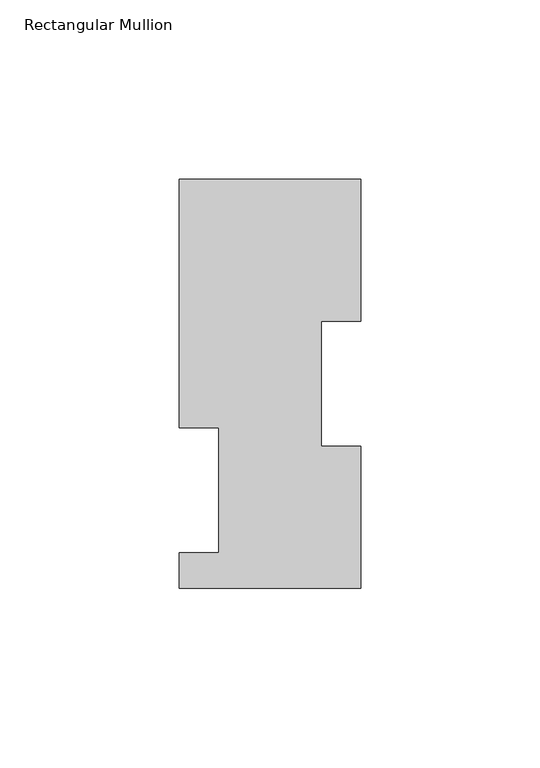
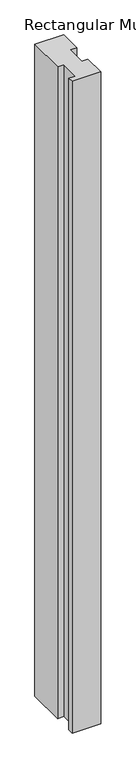
"""IFC4 building model written with IfcOpenShell, lengths in millimetres: member geometry, Rectangular Mullion."""

import ifcopenshell
import ifcopenshell.guid

model = None  # the IFC model being written
_history = None  # IfcOwnerHistory: only IFC2X3 demands one
_inside = {}  # id of a spatial element -> (the spatial element, [elements in it])
_under = {}  # id of a project, library or spatial element -> (it, [spatial elements below it])
_declared = {}  # id of a project -> (the project, [libraries it declares])
_typed = {}  # id of a type object -> (the type object, [elements of that type])
_made_of = {}  # id of a material, layer set ... -> (it, [elements and type objects made of it])


def new_model(schema):
    """Start an empty IFC model of exactly this schema.

    Asked for "IFC4X3", IfcOpenShell would pick the latest addendum, in which some entities
    have other attributes; the version numbers below select the first issue.
    IFC2X3 requires an IfcOwnerHistory on every rooted entity: one is made here for all.
    """
    global model, _history
    if schema == "IFC4X3":
        model = ifcopenshell.file(schema_version=(4, 3, 0, 0))
    else:
        model = ifcopenshell.file(schema=schema)
    _inside.clear()
    _under.clear()
    _declared.clear()
    _typed.clear()
    _made_of.clear()
    _history = None
    if model.schema == "IFC2X3":
        org = make("IfcOrganization", Name="unknown")
        user = make(
            "IfcPersonAndOrganization",
            ThePerson=make("IfcPerson", FamilyName="unknown"),
            TheOrganization=org,
        )
        app = make(
            "IfcApplication",
            ApplicationDeveloper=org,
            Version="unknown",
            ApplicationFullName="unknown",
            ApplicationIdentifier="unknown",
        )
        _history = make(
            "IfcOwnerHistory",
            OwningUser=user,
            OwningApplication=app,
            ChangeAction="ADDED",
            CreationDate=0,
        )
    return model


def make(cls, **values):
    """One entity of the class cls with the attributes given. An attribute that is None is left unset."""
    return model.create_entity(
        cls, **{name: value for name, value in values.items() if value is not None}
    )


def rooted(cls, **values):
    """An entity with a GlobalId (a new one), such as an element, a storey or a relation."""
    return make(cls, GlobalId=ifcopenshell.guid.new(), OwnerHistory=_history, **values)


def si_unit(unit_type, name, prefix=None):
    """IfcSIUnit, for example si_unit("LENGTHUNIT", "METRE", prefix="MILLI")."""
    return make("IfcSIUnit", UnitType=unit_type, Prefix=prefix, Name=name)


def assignment(units):
    """IfcUnitAssignment: the units of a project."""
    return None if units is None else make("IfcUnitAssignment", Units=units)


def point(xyz):
    """IfcCartesianPoint."""
    return None if xyz is None else make("IfcCartesianPoint", Coordinates=xyz)


def direction(xyz):
    """IfcDirection."""
    return None if xyz is None else make("IfcDirection", DirectionRatios=xyz)


def frame(location, z_axis=None, x_axis=None):
    """IfcAxis2Placement3D, a coordinate frame: its origin and axes. An axis left out is left unset."""
    return make(
        "IfcAxis2Placement3D",
        Location=point(location),
        Axis=direction(z_axis),
        RefDirection=direction(x_axis),
    )


def origin():
    """The frame at (0, 0, 0) with its axes left unset."""
    return frame((0.0, 0.0, 0.0))


def place(relative_to, where):
    """IfcLocalPlacement: puts the frame where relative to a parent placement (None: the world)."""
    return make(
        "IfcLocalPlacement", PlacementRelTo=relative_to, RelativePlacement=where
    )


def context(
    kind, dimensions, precision=None, world=None, true_north=None, identifier=None
):
    """IfcGeometricRepresentationContext, for example the 3D "Model" context."""
    return make(
        "IfcGeometricRepresentationContext",
        ContextIdentifier=identifier,
        ContextType=kind,
        CoordinateSpaceDimension=dimensions,
        Precision=precision,
        WorldCoordinateSystem=world,
        TrueNorth=true_north,
    )


def project(units=None, contexts=None):
    """IfcProject with its units and contexts."""
    return rooted(
        "IfcProject",
        Name="project",
        RepresentationContexts=contexts,
        UnitsInContext=assignment(units),
    )


def spatial(cls, under=None, at=None, **own):
    """A site, building, storey or space (cls), placed at a placement, below another one or the project."""
    s = rooted(cls, ObjectPlacement=at, **own)
    if under is not None:
        _under.setdefault(under.id(), (under, []))[1].append(s)
    return s


def polyline(points):
    """IfcPolyline through the points."""
    return make("IfcPolyline", Points=[point(p) for p in points])


def outline(outer, holes=None, kind="AREA"):
    """IfcArbitraryClosedProfileDef: a profile drawn as a closed curve; with holes, ...WithVoids."""
    if holes is None:
        return make("IfcArbitraryClosedProfileDef", ProfileType=kind, OuterCurve=outer)
    return make(
        "IfcArbitraryProfileDefWithVoids",
        ProfileType=kind,
        OuterCurve=outer,
        InnerCurves=holes,
    )


def extrude(swept, where, along, depth):
    """IfcExtrudedAreaSolid: the profile swept, set in the frame where, extruded along a direction by depth."""
    return make(
        "IfcExtrudedAreaSolid",
        SweptArea=swept,
        Position=where,
        ExtrudedDirection=direction(along),
        Depth=depth,
    )


def shape(context_of_items, identifier, shape_type, items):
    """IfcShapeRepresentation: the items that make up one representation, for example the "Body"."""
    return make(
        "IfcShapeRepresentation",
        ContextOfItems=context_of_items,
        RepresentationIdentifier=identifier,
        RepresentationType=shape_type,
        Items=items,
    )


def source(mapping_origin, context_of_items, identifier, shape_type, items):
    """IfcRepresentationMap: a shape defined once, which mapped items show again and again."""
    return make(
        "IfcRepresentationMap",
        MappingOrigin=mapping_origin,
        MappedRepresentation=shape(context_of_items, identifier, shape_type, items),
    )


def transform(
    local_origin,
    x_axis=None,
    y_axis=None,
    z_axis=None,
    scale=None,
    scale2=None,
    scale3=None,
    uniform=True,
):
    """IfcCartesianTransformationOperator3D, or its non-uniform kind. x_axis, y_axis, z_axis: its Axis1, 2, 3."""
    if uniform:
        return make(
            "IfcCartesianTransformationOperator3D",
            Axis1=direction(x_axis),
            Axis2=direction(y_axis),
            LocalOrigin=point(local_origin),
            Scale=scale,
            Axis3=direction(z_axis),
        )
    return make(
        "IfcCartesianTransformationOperator3DnonUniform",
        Axis1=direction(x_axis),
        Axis2=direction(y_axis),
        LocalOrigin=point(local_origin),
        Scale=scale,
        Axis3=direction(z_axis),
        Scale2=scale2,
        Scale3=scale3,
    )


def mapped(mapping_source, mapping_target):
    """IfcMappedItem: shows the shape of a source again, moved by a transform."""
    return make(
        "IfcMappedItem", MappingSource=mapping_source, MappingTarget=mapping_target
    )


def made_of(thing, what):
    """Note that an element or type object is made of a material, layer set ...; save() writes the relation."""
    if what is not None:
        _made_of.setdefault(what.id(), (what, []))[1].append(thing)
    return thing


def element(
    cls,
    number,
    at=None,
    inside=None,
    cuts=None,
    type_object=None,
    material=None,
    context=None,
    identifier="Body",
    shape_type=None,
    held_by="IfcProductDefinitionShape",
    body=None,
    shapes=None,
    **own,
):
    """One element of the class cls, such as IfcWall. Its Tag is "e" and its number.

    at: its placement. inside: the storey or other place that contains it. cuts: it is an
    opening in that element (IfcRelVoidsElement). A single representation is given by context,
    identifier, shape_type and body (its items); several are given by shapes. held_by: the class
    of the entity that holds the representations. save() writes the other relations.
    """
    e = rooted(cls, Tag="e%d" % number, ObjectPlacement=at, **own)
    if body is not None:
        shapes = [shape(context, identifier, shape_type, body)]
    if shapes is not None:
        e.Representation = make(held_by, Representations=shapes)
    if inside is not None:
        _inside.setdefault(inside.id(), (inside, []))[1].append(e)
    if cuts is not None:
        rooted(
            "IfcRelVoidsElement", RelatingBuildingElement=cuts, RelatedOpeningElement=e
        )
    if type_object is not None:
        _typed.setdefault(type_object.id(), (type_object, []))[1].append(e)
    return made_of(e, material)


def aggregate(whole, parts):
    """IfcRelAggregates: a whole, such as a stair, and the parts it consists of."""
    return rooted("IfcRelAggregates", RelatingObject=whole, RelatedObjects=parts)


def save(model, path):
    """Write the relations noted so far, then the file.

    IfcRelAggregates (storeys below a building ...), IfcRelContainedInSpatialStructure (elements
    in a storey), IfcRelDefinesByType, IfcRelAssociatesMaterial and IfcRelDeclares: one each for
    every whole, place, type object, material and project.
    """
    for whole, parts in _under.values():
        aggregate(whole, parts)
    for where, things in _inside.values():
        rooted(
            "IfcRelContainedInSpatialStructure",
            RelatedElements=things,
            RelatingStructure=where,
        )
    for kind, things in _typed.values():
        rooted("IfcRelDefinesByType", RelatedObjects=things, RelatingType=kind)
    for what, things in _made_of.values():
        rooted("IfcRelAssociatesMaterial", RelatedObjects=things, RelatingMaterial=what)
    for by, libraries in _declared.values():
        rooted("IfcRelDeclares", RelatingContext=by, RelatedDefinitions=libraries)
    model.write(path)


def rectangular_mullion_ab269295(model_context):
    return source(origin(), model_context, "Body", "SweptSolid", [
        extrude(outline(polyline([(25.4, 114.0729875), (25.4, 74.3981875), (14.2875, 74.3981875), (14.2875, 39.4477875), (25.4, 39.4477875), (25.4, -0.2270125), (-25.4, -0.2270125), (-25.4, 9.6789875), (-14.2875, 9.6789875), (-14.2875, 44.6039875), (-25.4, 44.6039875), (-25.4, 114.0729875), (25.4, 114.0729875)])), frame((0.0, 0.0, -1219.2), z_axis=(0.0, 0.0, 1.0), x_axis=(1.0, 0.0, 0.0)), (0.0, 0.0, 1.0), 1219.2),
    ])


if __name__ == "__main__":
    model = new_model("IFC4")
    model_context = context("Model", 3, world=origin())
    ifc_project = project(units=[si_unit("LENGTHUNIT", "METRE", prefix="MILLI")], contexts=[model_context])
    site = spatial("IfcSite", under=ifc_project)
    building = spatial("IfcBuilding", under=site)
    placement = place(None, origin())
    rectangular_mullion_shape = rectangular_mullion_ab269295(model_context)
    element("IfcMember", 1, ObjectType="Rectangular Mullion", at=placement, inside=building, context=model_context, shape_type="MappedRepresentation", body=[
        mapped(rectangular_mullion_shape, transform((0.0, 0.0, 0.0), x_axis=(1.0, 0.0, 0.0), y_axis=(0.0, 1.0, 0.0), z_axis=(0.0, 0.0, 1.0))),
    ])
    save(model, "model.ifc")
